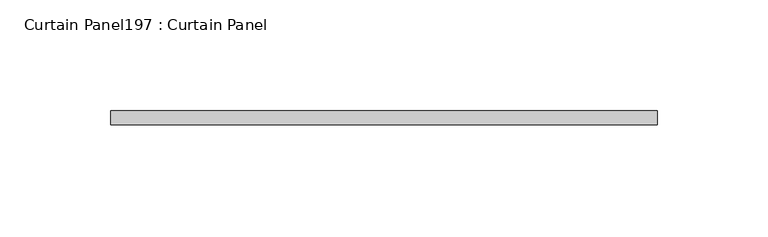
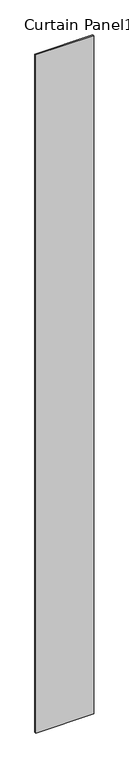
"""IFC4 building model written with IfcOpenShell, lengths in millimetres: plate geometry, Curtain Panel197 : Curtain Panel."""

from ifc_helpers import new_model, si_unit, frame, origin, place, context, project, spatial, polyline, outline, extrude, source, transform, mapped, element, save


def curtain_panel197_curtain_panel_40308d85(model_context):
    return source(origin(), model_context, "Body", "SweptSolid", [
        extrude(outline(polyline([(603530.1501813, 3006.2495813), (603283.7184653, 3006.2495813), (603283.7184653, 3012.5995813), (603530.1501813, 3012.5995813), (603530.1501813, 3006.2495813)])), frame((0.0, 0.0, 4959.7989371), z_axis=(0.0, 0.0, 1.0), x_axis=(1.0, 0.0, 0.0)), (0.0, 0.0, 1.0), 3048.0),
    ])


if __name__ == "__main__":
    model = new_model("IFC4")
    model_context = context("Model", 3, world=origin())
    ifc_project = project(units=[si_unit("LENGTHUNIT", "METRE", prefix="MILLI")], contexts=[model_context])
    site = spatial("IfcSite", under=ifc_project)
    building = spatial("IfcBuilding", under=site)
    placement = place(None, origin())
    curtain_panel197_curtain_panel_shape = curtain_panel197_curtain_panel_40308d85(model_context)
    element("IfcPlate", 1, ObjectType="Curtain Panel197 : Curtain Panel", at=placement, inside=building, context=model_context, shape_type="MappedRepresentation", body=[
        mapped(curtain_panel197_curtain_panel_shape, transform((0.0, 0.0, 0.0), x_axis=(1.0, 0.0, 0.0), y_axis=(0.0, 1.0, 0.0), z_axis=(0.0, 0.0, 1.0))),
    ])
    save(model, "model.ifc")
